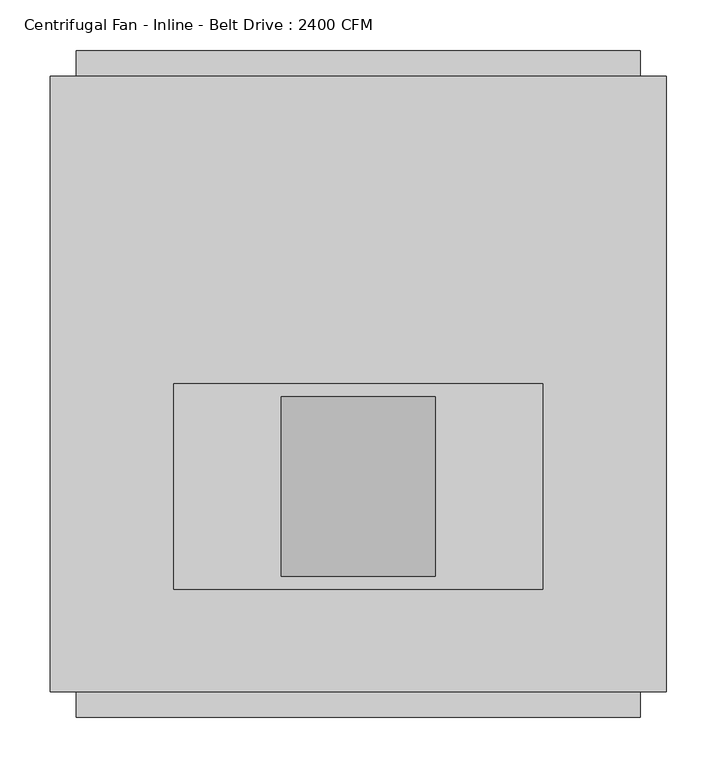
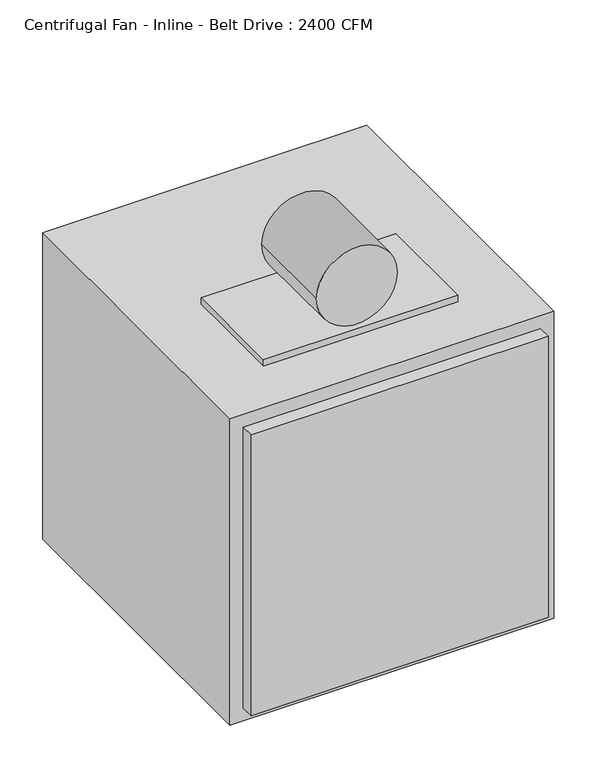
"""IFC4 building model written with IfcOpenShell, lengths in millimetres: proxy geometry, Centrifugal Fan - Inline - Belt Drive : 2400 CFM."""

from ifc_helpers import new_model, si_unit, point, frame, frame_2d, origin, origin_with_axes, place, context, project, spatial, polyline, circle_curve, trimmed, segment, composite_curve, outline, extrude, source, transform, mapped, element, save


def centrifugal_fan_inline_belt_drive_2400_cfm_345a8ab4(model_context):
    return source(origin(), model_context, "Body", "SweptSolid", [
        extrude(outline(polyline([(279.4, 609.6), (-279.4, 609.6), (-279.4, 635.0), (279.4, 635.0), (279.4, 609.6)])), frame((0.0, 0.0, 25.4), z_axis=(0.0, 0.0, 1.0), x_axis=(1.0, 0.0, 0.0)), (0.0, 0.0, 1.0), 558.8),
        extrude(outline(polyline([(279.4, -25.4), (-279.4, -25.4), (-279.4, 0.0), (279.4, 0.0), (279.4, -25.4)])), frame((0.0, 0.0, 25.4), z_axis=(0.0, 0.0, 1.0), x_axis=(1.0, 0.0, 0.0)), (0.0, 0.0, 1.0), 558.8),
        extrude(outline(polyline([(304.8, 0.0), (-304.8, 0.0), (-304.8, 609.6), (304.8, 609.6), (304.8, 0.0)])), origin_with_axes(), (0.0, 0.0, 1.0), 609.6),
        extrude(outline(composite_curve([segment(trimmed(circle_curve(frame_2d((698.5, 0.0)), 76.2), [point((698.5, -76.2))], [point((698.5, 76.2))], False, "CARTESIAN"), True, "CONTINUOUS"), segment(trimmed(circle_curve(frame_2d((698.5, 0.0)), 76.2), [point((698.5, 76.2))], [point((698.5, -76.2))], False, "CARTESIAN"), True, "CONTINUOUS")], self_intersect=False)), frame((0.0, 114.3, 0.0), z_axis=(0.0, 1.0, 0.0), x_axis=(0.0, 0.0, 1.0)), (0.0, 0.0, 1.0), 177.8),
        extrude(outline(polyline([(182.88, 101.6), (-182.88, 101.6), (-182.88, 304.8), (182.88, 304.8), (182.88, 101.6)])), frame((0.0, 0.0, 609.6), z_axis=(0.0, 0.0, 1.0), x_axis=(1.0, 0.0, 0.0)), (0.0, 0.0, 1.0), 12.7),
    ])


if __name__ == "__main__":
    model = new_model("IFC4")
    model_context = context("Model", 3, world=origin())
    ifc_project = project(units=[si_unit("LENGTHUNIT", "METRE", prefix="MILLI")], contexts=[model_context])
    site = spatial("IfcSite", under=ifc_project)
    building = spatial("IfcBuilding", under=site)
    placement = place(None, origin())
    centrifugal_fan_inline_belt_drive_2400_cfm_shape = centrifugal_fan_inline_belt_drive_2400_cfm_345a8ab4(model_context)
    element("IfcBuildingElementProxy", 1, Name="Centrifugal Fan - Inline - Belt Drive : 2400 CFM", ObjectType="Centrifugal Fan - Inline - Belt Drive : 2400 CFM", at=placement, inside=building, context=model_context, shape_type="MappedRepresentation", body=[
        mapped(centrifugal_fan_inline_belt_drive_2400_cfm_shape, transform((0.0, 0.0, 0.0), x_axis=(1.0, 0.0, 0.0), y_axis=(0.0, 1.0, 0.0), z_axis=(0.0, 0.0, 1.0))),
    ])
    save(model, "model.ifc")
